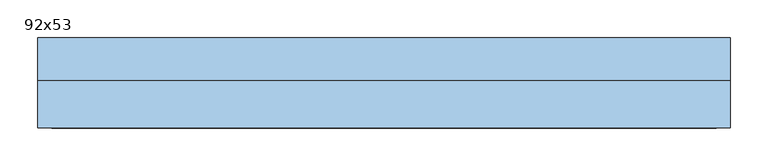
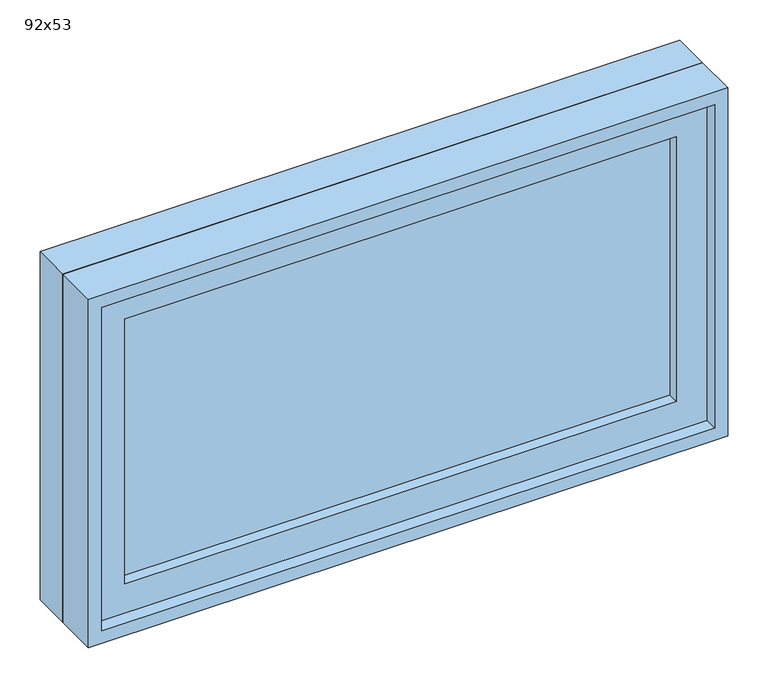
"""IFC4 building model written with IfcOpenShell, lengths in millimetres: window geometry, 92x53."""

import ifcopenshell
import ifcopenshell.guid

model = None  # the IFC model being written
_history = None  # IfcOwnerHistory: only IFC2X3 demands one
_inside = {}  # id of a spatial element -> (the spatial element, [elements in it])
_under = {}  # id of a project, library or spatial element -> (it, [spatial elements below it])
_declared = {}  # id of a project -> (the project, [libraries it declares])
_typed = {}  # id of a type object -> (the type object, [elements of that type])
_made_of = {}  # id of a material, layer set ... -> (it, [elements and type objects made of it])


def new_model(schema):
    """Start an empty IFC model of exactly this schema.

    Asked for "IFC4X3", IfcOpenShell would pick the latest addendum, in which some entities
    have other attributes; the version numbers below select the first issue.
    IFC2X3 requires an IfcOwnerHistory on every rooted entity: one is made here for all.
    """
    global model, _history
    if schema == "IFC4X3":
        model = ifcopenshell.file(schema_version=(4, 3, 0, 0))
    else:
        model = ifcopenshell.file(schema=schema)
    _inside.clear()
    _under.clear()
    _declared.clear()
    _typed.clear()
    _made_of.clear()
    _history = None
    if model.schema == "IFC2X3":
        org = make("IfcOrganization", Name="unknown")
        user = make(
            "IfcPersonAndOrganization",
            ThePerson=make("IfcPerson", FamilyName="unknown"),
            TheOrganization=org,
        )
        app = make(
            "IfcApplication",
            ApplicationDeveloper=org,
            Version="unknown",
            ApplicationFullName="unknown",
            ApplicationIdentifier="unknown",
        )
        _history = make(
            "IfcOwnerHistory",
            OwningUser=user,
            OwningApplication=app,
            ChangeAction="ADDED",
            CreationDate=0,
        )
    return model


def make(cls, **values):
    """One entity of the class cls with the attributes given. An attribute that is None is left unset."""
    return model.create_entity(
        cls, **{name: value for name, value in values.items() if value is not None}
    )


def rooted(cls, **values):
    """An entity with a GlobalId (a new one), such as an element, a storey or a relation."""
    return make(cls, GlobalId=ifcopenshell.guid.new(), OwnerHistory=_history, **values)


def si_unit(unit_type, name, prefix=None):
    """IfcSIUnit, for example si_unit("LENGTHUNIT", "METRE", prefix="MILLI")."""
    return make("IfcSIUnit", UnitType=unit_type, Prefix=prefix, Name=name)


def assignment(units):
    """IfcUnitAssignment: the units of a project."""
    return None if units is None else make("IfcUnitAssignment", Units=units)


def point(xyz):
    """IfcCartesianPoint."""
    return None if xyz is None else make("IfcCartesianPoint", Coordinates=xyz)


def direction(xyz):
    """IfcDirection."""
    return None if xyz is None else make("IfcDirection", DirectionRatios=xyz)


def frame(location, z_axis=None, x_axis=None):
    """IfcAxis2Placement3D, a coordinate frame: its origin and axes. An axis left out is left unset."""
    return make(
        "IfcAxis2Placement3D",
        Location=point(location),
        Axis=direction(z_axis),
        RefDirection=direction(x_axis),
    )


def origin():
    """The frame at (0, 0, 0) with its axes left unset."""
    return frame((0.0, 0.0, 0.0))


def place(relative_to, where):
    """IfcLocalPlacement: puts the frame where relative to a parent placement (None: the world)."""
    return make(
        "IfcLocalPlacement", PlacementRelTo=relative_to, RelativePlacement=where
    )


def context(
    kind, dimensions, precision=None, world=None, true_north=None, identifier=None
):
    """IfcGeometricRepresentationContext, for example the 3D "Model" context."""
    return make(
        "IfcGeometricRepresentationContext",
        ContextIdentifier=identifier,
        ContextType=kind,
        CoordinateSpaceDimension=dimensions,
        Precision=precision,
        WorldCoordinateSystem=world,
        TrueNorth=true_north,
    )


def project(units=None, contexts=None):
    """IfcProject with its units and contexts."""
    return rooted(
        "IfcProject",
        Name="project",
        RepresentationContexts=contexts,
        UnitsInContext=assignment(units),
    )


def spatial(cls, under=None, at=None, **own):
    """A site, building, storey or space (cls), placed at a placement, below another one or the project."""
    s = rooted(cls, ObjectPlacement=at, **own)
    if under is not None:
        _under.setdefault(under.id(), (under, []))[1].append(s)
    return s


def polyline(points):
    """IfcPolyline through the points."""
    return make("IfcPolyline", Points=[point(p) for p in points])


def outline(outer, holes=None, kind="AREA"):
    """IfcArbitraryClosedProfileDef: a profile drawn as a closed curve; with holes, ...WithVoids."""
    if holes is None:
        return make("IfcArbitraryClosedProfileDef", ProfileType=kind, OuterCurve=outer)
    return make(
        "IfcArbitraryProfileDefWithVoids",
        ProfileType=kind,
        OuterCurve=outer,
        InnerCurves=holes,
    )


def extrude(swept, where, along, depth):
    """IfcExtrudedAreaSolid: the profile swept, set in the frame where, extruded along a direction by depth."""
    return make(
        "IfcExtrudedAreaSolid",
        SweptArea=swept,
        Position=where,
        ExtrudedDirection=direction(along),
        Depth=depth,
    )


def shape(context_of_items, identifier, shape_type, items):
    """IfcShapeRepresentation: the items that make up one representation, for example the "Body"."""
    return make(
        "IfcShapeRepresentation",
        ContextOfItems=context_of_items,
        RepresentationIdentifier=identifier,
        RepresentationType=shape_type,
        Items=items,
    )


def source(mapping_origin, context_of_items, identifier, shape_type, items):
    """IfcRepresentationMap: a shape defined once, which mapped items show again and again."""
    return make(
        "IfcRepresentationMap",
        MappingOrigin=mapping_origin,
        MappedRepresentation=shape(context_of_items, identifier, shape_type, items),
    )


def transform(
    local_origin,
    x_axis=None,
    y_axis=None,
    z_axis=None,
    scale=None,
    scale2=None,
    scale3=None,
    uniform=True,
):
    """IfcCartesianTransformationOperator3D, or its non-uniform kind. x_axis, y_axis, z_axis: its Axis1, 2, 3."""
    if uniform:
        return make(
            "IfcCartesianTransformationOperator3D",
            Axis1=direction(x_axis),
            Axis2=direction(y_axis),
            LocalOrigin=point(local_origin),
            Scale=scale,
            Axis3=direction(z_axis),
        )
    return make(
        "IfcCartesianTransformationOperator3DnonUniform",
        Axis1=direction(x_axis),
        Axis2=direction(y_axis),
        LocalOrigin=point(local_origin),
        Scale=scale,
        Axis3=direction(z_axis),
        Scale2=scale2,
        Scale3=scale3,
    )


def mapped(mapping_source, mapping_target):
    """IfcMappedItem: shows the shape of a source again, moved by a transform."""
    return make(
        "IfcMappedItem", MappingSource=mapping_source, MappingTarget=mapping_target
    )


def made_of(thing, what):
    """Note that an element or type object is made of a material, layer set ...; save() writes the relation."""
    if what is not None:
        _made_of.setdefault(what.id(), (what, []))[1].append(thing)
    return thing


def element(
    cls,
    number,
    at=None,
    inside=None,
    cuts=None,
    type_object=None,
    material=None,
    context=None,
    identifier="Body",
    shape_type=None,
    held_by="IfcProductDefinitionShape",
    body=None,
    shapes=None,
    **own,
):
    """One element of the class cls, such as IfcWall. Its Tag is "e" and its number.

    at: its placement. inside: the storey or other place that contains it. cuts: it is an
    opening in that element (IfcRelVoidsElement). A single representation is given by context,
    identifier, shape_type and body (its items); several are given by shapes. held_by: the class
    of the entity that holds the representations. save() writes the other relations.
    """
    e = rooted(cls, Tag="e%d" % number, ObjectPlacement=at, **own)
    if body is not None:
        shapes = [shape(context, identifier, shape_type, body)]
    if shapes is not None:
        e.Representation = make(held_by, Representations=shapes)
    if inside is not None:
        _inside.setdefault(inside.id(), (inside, []))[1].append(e)
    if cuts is not None:
        rooted(
            "IfcRelVoidsElement", RelatingBuildingElement=cuts, RelatedOpeningElement=e
        )
    if type_object is not None:
        _typed.setdefault(type_object.id(), (type_object, []))[1].append(e)
    return made_of(e, material)


def aggregate(whole, parts):
    """IfcRelAggregates: a whole, such as a stair, and the parts it consists of."""
    return rooted("IfcRelAggregates", RelatingObject=whole, RelatedObjects=parts)


def save(model, path):
    """Write the relations noted so far, then the file.

    IfcRelAggregates (storeys below a building ...), IfcRelContainedInSpatialStructure (elements
    in a storey), IfcRelDefinesByType, IfcRelAssociatesMaterial and IfcRelDeclares: one each for
    every whole, place, type object, material and project.
    """
    for whole, parts in _under.values():
        aggregate(whole, parts)
    for where, things in _inside.values():
        rooted(
            "IfcRelContainedInSpatialStructure",
            RelatedElements=things,
            RelatingStructure=where,
        )
    for kind, things in _typed.values():
        rooted("IfcRelDefinesByType", RelatedObjects=things, RelatingType=kind)
    for what, things in _made_of.values():
        rooted("IfcRelAssociatesMaterial", RelatedObjects=things, RelatingMaterial=what)
    for by, libraries in _declared.values():
        rooted("IfcRelDeclares", RelatingContext=by, RelatedDefinitions=libraries)
    model.write(path)


def window_92x53_4bde9994(model_context):
    return source(origin(), model_context, "Body", "SweptSolid", [
        extrude(outline(polyline([(358.4, -12.375), (358.4, -25.075), (-434.6, -25.075), (-434.6, -12.375), (358.4, -12.375)])), frame((0.0, 0.0, 977.9), z_axis=(0.0, 0.0, 1.0), x_axis=(1.0, 0.0, 0.0)), (0.0, 0.0, 1.0), 403.0),
        extrude(outline(polyline([(1425.35, -479.05), (933.45, -479.05), (933.45, 402.85), (1425.35, 402.85), (1425.35, -479.05)]), holes=[polyline([(1380.9, -434.6), (1380.9, 358.4), (977.9, 358.4), (977.9, -434.6), (1380.9, -434.6)])]), frame((0.0, -40.95, 0.0), z_axis=(0.0, 1.0, 0.0), x_axis=(0.0, 0.0, 1.0)), (0.0, 0.0, 1.0), 44.45),
        extrude(outline(polyline([(1444.4, -498.1), (914.4, -498.1), (914.4, 421.9), (1444.4, 421.9), (1444.4, -498.1)]), holes=[polyline([(1412.65, -466.35), (1412.65, 390.15), (946.15, 390.15), (946.15, -466.35), (1412.65, -466.35)])]), frame((0.0, 3.5, 0.0), z_axis=(0.0, 1.0, 0.0), x_axis=(0.0, 0.0, 1.0)), (0.0, 0.0, 1.0), 56.5),
        extrude(outline(polyline([(1444.4, 421.9), (1444.4, -498.1), (914.4, -498.1), (914.4, 421.9), (1444.4, 421.9)]), holes=[polyline([(1425.35, 402.85), (933.45, 402.85), (933.45, -479.05), (1425.35, -479.05), (1425.35, 402.85)])]), frame((0.0, -60.0, 0.0), z_axis=(0.0, 1.0, 0.0), x_axis=(0.0, 0.0, 1.0)), (0.0, 0.0, 1.0), 63.5),
    ])


if __name__ == "__main__":
    model = new_model("IFC4")
    model_context = context("Model", 3, world=origin())
    ifc_project = project(units=[si_unit("LENGTHUNIT", "METRE", prefix="MILLI")], contexts=[model_context])
    site = spatial("IfcSite", under=ifc_project)
    building = spatial("IfcBuilding", under=site)
    placement = place(None, origin())
    window_92x53_shape = window_92x53_4bde9994(model_context)
    element("IfcWindow", 1, ObjectType="92x53", at=placement, inside=building, context=model_context, shape_type="MappedRepresentation", body=[
        mapped(window_92x53_shape, transform((0.0, 0.0, 0.0), x_axis=(1.0, 0.0, 0.0), y_axis=(0.0, 1.0, 0.0), z_axis=(0.0, 0.0, 1.0))),
    ])
    save(model, "model.ifc")
